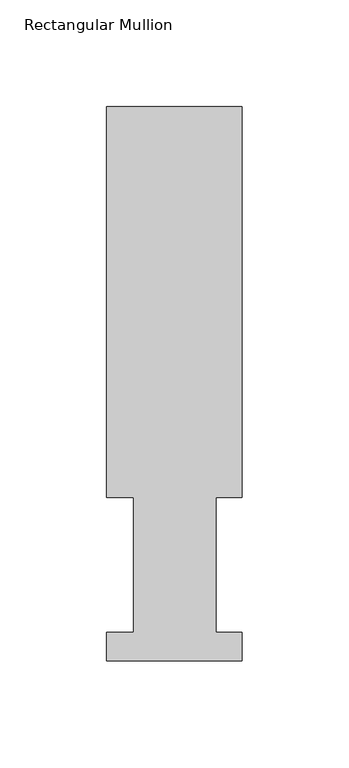
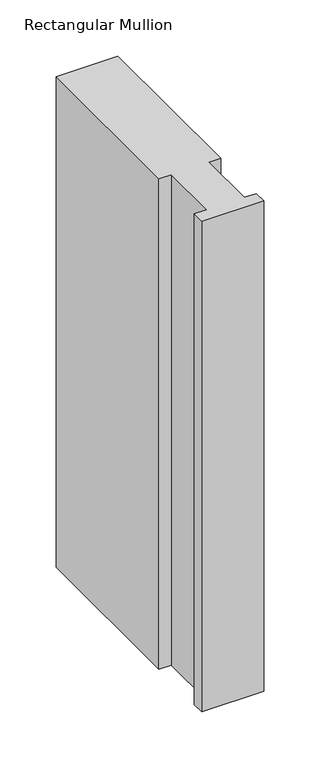
"""IFC4 building model written with IfcOpenShell, lengths in millimetres: member geometry, Rectangular Mullion."""

from ifc_helpers import new_model, si_unit, frame, origin, place, context, project, spatial, polyline, outline, extrude, source, transform, mapped, element, save


def rectangular_mullion_5fd979ee(model_context):
    return source(origin(), model_context, "Body", "SweptSolid", [
        extrude(outline(polyline([(-63.5, 76.2992187), (-63.5, 259.4591074), (0.0, 259.4591074), (0.0, 76.2992187), (-12.3418395, 76.2992187), (-12.3418395, 13.1492189), (0.0, 13.1492189), (0.0, -0.0333811), (-63.5, -0.0333811), (-63.5, 13.1492189), (-50.8, 13.1492189), (-50.8, 76.2992187), (-63.5, 76.2992187)])), frame((0.0, 0.0, -533.4), z_axis=(0.0, 0.0, 1.0), x_axis=(1.0, 0.0, 0.0)), (0.0, 0.0, 1.0), 533.4),
    ])


if __name__ == "__main__":
    model = new_model("IFC4")
    model_context = context("Model", 3, world=origin())
    ifc_project = project(units=[si_unit("LENGTHUNIT", "METRE", prefix="MILLI")], contexts=[model_context])
    site = spatial("IfcSite", under=ifc_project)
    building = spatial("IfcBuilding", under=site)
    placement = place(None, origin())
    rectangular_mullion_shape = rectangular_mullion_5fd979ee(model_context)
    element("IfcMember", 1, ObjectType="Rectangular Mullion", at=placement, inside=building, context=model_context, shape_type="MappedRepresentation", body=[
        mapped(rectangular_mullion_shape, transform((0.0, 0.0, 0.0), x_axis=(1.0, 0.0, 0.0), y_axis=(0.0, 1.0, 0.0), z_axis=(0.0, 0.0, 1.0))),
    ])
    save(model, "model.ifc")
